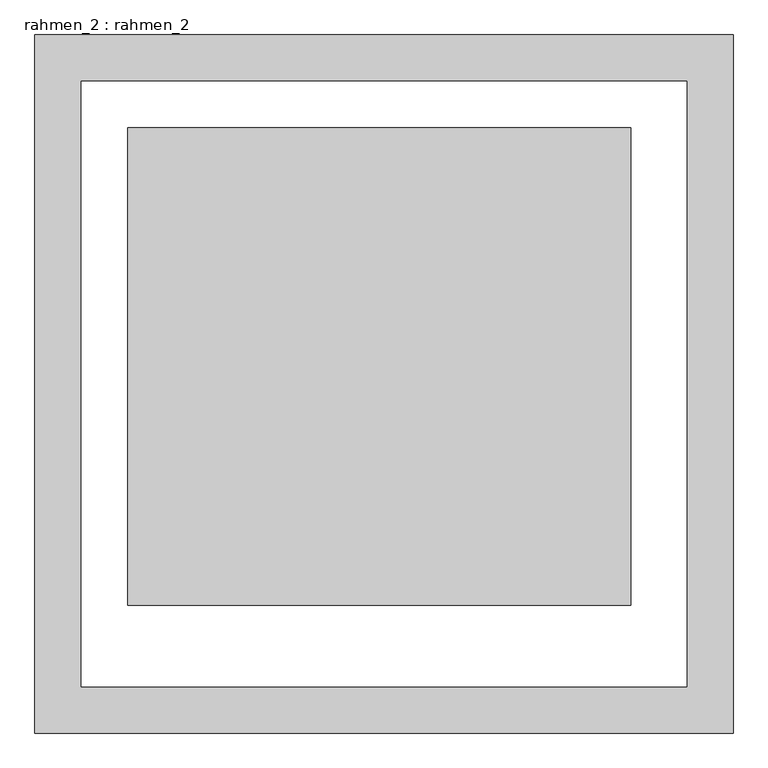
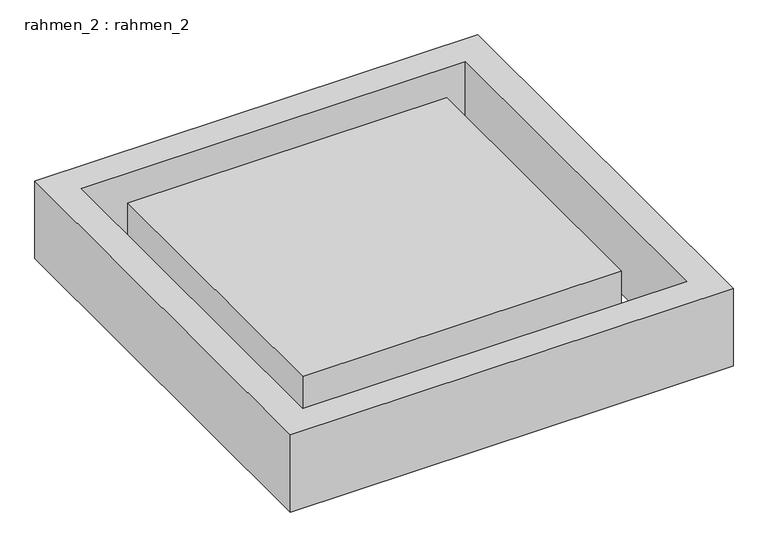
"""IFC4 building model written with IfcOpenShell, lengths in millimetres: proxy geometry, rahmen_2 : rahmen_2."""

from ifc_helpers import new_model, si_unit, origin, origin_with_axes, place, context, project, spatial, polyline, outline, extrude, source, transform, mapped, element, save


def rahmen_2_rahmen_2_02adee89(model_context):
    return source(origin(), model_context, "Body", "SweptSolid", [
        extrude(outline(polyline([(5279.6916805, 2300.0), (5279.6916805, 1274.7058813), (4200.0, 1274.7058813), (4200.0, 2300.0), (5279.6916805, 2300.0)])), origin_with_axes(), (0.0, 0.0, 1.0), 250.0),
        extrude(outline(polyline([(5500.0, 1000.0), (4000.0, 1000.0), (4000.0, 2500.0), (5500.0, 2500.0), (5500.0, 1000.0)]), holes=[polyline([(5400.0, 2400.0), (4100.0, 2400.0), (4100.0, 1100.0), (5400.0, 1100.0), (5400.0, 2400.0)])]), origin_with_axes(), (0.0, 0.0, 1.0), 276.6642535),
    ])


if __name__ == "__main__":
    model = new_model("IFC4")
    model_context = context("Model", 3, world=origin())
    ifc_project = project(units=[si_unit("LENGTHUNIT", "METRE", prefix="MILLI")], contexts=[model_context])
    site = spatial("IfcSite", under=ifc_project)
    building = spatial("IfcBuilding", under=site)
    placement = place(None, origin())
    rahmen_2_rahmen_2_shape = rahmen_2_rahmen_2_02adee89(model_context)
    element("IfcBuildingElementProxy", 1, Name="rahmen_2 : rahmen_2", ObjectType="rahmen_2 : rahmen_2", at=placement, inside=building, context=model_context, shape_type="MappedRepresentation", body=[
        mapped(rahmen_2_rahmen_2_shape, transform((0.0, 0.0, 0.0), x_axis=(1.0, 0.0, 0.0), y_axis=(0.0, 1.0, 0.0), z_axis=(0.0, 0.0, 1.0))),
    ])
    save(model, "model.ifc")
